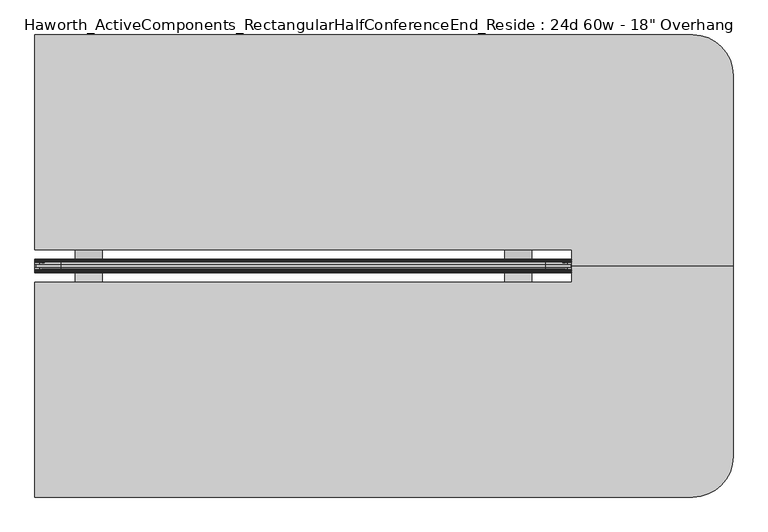
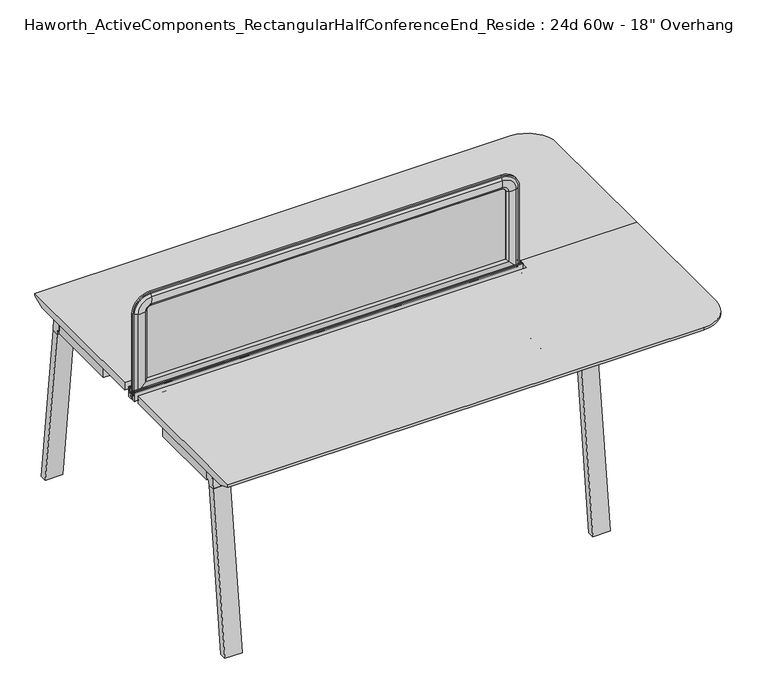
"""IFC4 building model written with IfcOpenShell, lengths in millimetres: furniture geometry."""

from ifc_helpers import new_model, si_unit, point, frame, frame_2d, origin, place, context, project, spatial, polyline, circle_curve, ellipse_curve, trimmed, segment, composite_curve, outline, extrude, source, transform, mapped, element, save
from ifc_brep_helpers import plane_surface, cylinder_surface, revolved_surface, advanced_brep


def furniture_6b04ca88(model_context):
    return source(origin(), model_context, "Body", "SolidModel", [
        extrude(outline(polyline([(-102.8131637, 708.5329874), (-151.7557795, 708.5329874), (-179.9497776, 698.5000242), (-219.096734, 698.5000242), (-247.7511736, 708.5329874), (-296.6937894, 708.5329874), (-296.6937894, 711.1999758), (-247.2908229, 711.1999031), (-219.0967817, 701.1670126), (-180.4101714, 701.1670126), (-152.2161302, 711.1999031), (-102.8131637, 711.1999758), (-102.8131637, 708.5329874)])), frame((787.4, 0.0, 0.0), z_axis=(1.0, 0.0, 0.0), x_axis=(0.0, 1.0, 0.0)), (0.0, 0.0, 1.0), 76.2),
        extrude(outline(polyline([(-102.8131637, 708.5329874), (-151.7557795, 708.5329874), (-179.9497776, 698.5000242), (-219.096734, 698.5000242), (-247.7511736, 708.5329874), (-296.6937894, 708.5329874), (-296.6937894, 711.1999758), (-247.2908229, 711.1999031), (-219.0967817, 701.1670126), (-180.4101714, 701.1670126), (-152.2161302, 711.1999031), (-102.8131637, 711.1999758), (-102.8131637, 708.5329874)])), frame((-431.8, 0.0, 0.0), z_axis=(1.0, 0.0, 0.0), x_axis=(0.0, 1.0, 0.0)), (0.0, 0.0, 1.0), 76.2),
        extrude(outline(composite_curve([segment(polyline([(-208.7577768, 705.1294161), (-190.7491763, 705.1294161), (-190.7491763, 716.8133686), (-194.6734763, 716.8133686), (-194.6734763, 718.8200048), (-189.5045768, 718.8200048), (-189.5045768, 721.0551882), (-188.310777, 722.0711872), (-188.310777, 737.1334219), (-189.5045768, 738.1494209), (-189.5045768, 740.1051882), (-188.4578397, 740.9960276)]), True, "CONTINUOUS"), segment(trimmed(circle_curve(frame_2d((-188.0216309, 740.4834819)), 0.6730388), [point((-188.4578397, 740.9960276))], [point((-187.3580762, 740.5960712))], False, "CARTESIAN"), True, "CONTINUOUS"), segment(polyline([(-187.3580762, 740.5960712), (-186.2533763, 734.0854248), (-186.2533763, 721.131419), (-183.1037763, 721.131419), (-183.1037763, 725.1191843), (-182.3544761, 725.8812017), (-182.3544761, 740.3039756)]), True, "CONTINUOUS"), segment(trimmed(circle_curve(frame_2d((-181.5543762, 740.3039756)), 0.8000999), [point((-182.3544761, 740.3039756))], [point((-180.7542763, 740.3039756))], False, "CARTESIAN"), True, "CONTINUOUS"), segment(polyline([(-180.7542763, 740.3039756), (-180.7542763, 702.1830128)]), True, "CONTINUOUS"), segment(trimmed(circle_curve(frame_2d((-181.7702764, 702.1830128)), 1.0160002), [point((-180.7542763, 702.1830128))], [point((-181.7702764, 701.1670126))], False, "CARTESIAN"), True, "CONTINUOUS"), segment(polyline([(-181.7702764, 701.1670126), (-217.7366767, 701.1670126)]), True, "CONTINUOUS"), segment(trimmed(circle_curve(frame_2d((-217.7366767, 702.1830128)), 1.0160002), [point((-217.7366767, 701.1670126))], [point((-218.7526768, 702.1830128))], False, "CARTESIAN"), True, "CONTINUOUS"), segment(polyline([(-218.7526768, 702.1830128), (-218.7526768, 740.3039756)]), True, "CONTINUOUS"), segment(trimmed(circle_curve(frame_2d((-217.9525769, 740.3039756)), 0.8000999), [point((-218.7526768, 740.3039756))], [point((-217.152477, 740.3039756))], False, "CARTESIAN"), True, "CONTINUOUS"), segment(polyline([(-217.152477, 740.3039756), (-217.152477, 725.8812017), (-216.4031768, 725.1191843), (-216.4031768, 721.131419), (-213.2535769, 721.131419), (-213.2535769, 734.0854248), (-212.1488769, 740.5960712)]), True, "CONTINUOUS"), segment(trimmed(circle_curve(frame_2d((-211.4853222, 740.4834819)), 0.6730388), [point((-212.1488769, 740.5960712))], [point((-211.0491134, 740.9960276))], False, "CARTESIAN"), True, "CONTINUOUS"), segment(polyline([(-211.0491134, 740.9960276), (-210.0023763, 740.1051882), (-210.0023763, 738.1494209), (-211.1961761, 737.1334219), (-211.1961761, 722.0711872), (-210.0023763, 721.0551882), (-210.0023763, 718.8200048), (-204.8334768, 718.8200048), (-204.8334768, 716.8133686), (-208.7577768, 716.8133686), (-208.7577768, 705.1294161)]), True, "CONTINUOUS")], self_intersect=False)), frame((-546.1, 0.0, 0.0), z_axis=(1.0, 0.0, 0.0), x_axis=(0.0, 1.0, 0.0)), (0.0, 0.0, 1.0), 1524.0),
        extrude(outline(composite_curve([segment(polyline([(-743.2146375, 655.8564478), (-737.0116056, 706.4375), (-700.6097266, 706.4375), (-700.6097266, 676.1402033), (-701.8519435, 676.1402033)]), True, "CONTINUOUS"), segment(trimmed(circle_curve(frame_2d((-701.8519435, 663.4402033)), 12.7), [point((-701.8519435, 676.1402033))], [point((-714.4575067, 664.9860929))], True, "CARTESIAN"), True, "CONTINUOUS"), segment(polyline([(-714.4575067, 664.9860929), (-715.9866201, 652.5173267), (-743.2146375, 655.8564478)]), True, "CONTINUOUS")], self_intersect=False)), frame((-539.6507813, 0.0, 0.0), z_axis=(1.0, 0.0, 0.0), x_axis=(0.0, 1.0, 0.0)), (0.0, 0.0, 1.0), 67.6671875),
        extrude(outline(polyline([(-823.6459115, 0.0), (-743.2146375, 655.8564478), (-715.9866201, 652.5173267), (-796.0084097, 0.0), (-823.6459115, 0.0)])), frame((-539.6507813, 0.0, 0.0), z_axis=(1.0, 0.0, 0.0), x_axis=(0.0, 1.0, 0.0)), (0.0, 0.0, 1.0), 67.6671875),
        extrude(outline(composite_curve([segment(polyline([(-743.2146375, 655.8564478), (-737.0116056, 706.4375), (-700.6097266, 706.4375), (-700.6097266, 676.1402033), (-701.8519435, 676.1402033)]), True, "CONTINUOUS"), segment(trimmed(circle_curve(frame_2d((-701.8519435, 663.4402033)), 12.7), [point((-701.8519435, 676.1402033))], [point((-714.4575067, 664.9860929))], True, "CARTESIAN"), True, "CONTINUOUS"), segment(polyline([(-714.4575067, 664.9860929), (-715.9866201, 652.5173267), (-743.2146375, 655.8564478)]), True, "CONTINUOUS")], self_intersect=False)), frame((903.7835938, 0.0, 0.0), z_axis=(1.0, 0.0, 0.0), x_axis=(0.0, 1.0, 0.0)), (0.0, 0.0, 1.0), 67.6671875),
        extrude(outline(polyline([(-823.6459115, 0.0), (-743.2146375, 655.8564478), (-715.9866201, 652.5173267), (-796.0084097, 0.0), (-823.6459115, 0.0)])), frame((903.7835938, 0.0, 0.0), z_axis=(1.0, 0.0, 0.0), x_axis=(0.0, 1.0, 0.0)), (0.0, 0.0, 1.0), 67.6671875),
        extrude(outline(composite_curve([segment(polyline([(343.7076844, 655.8564478), (316.479667, 652.5173267), (314.9505536, 664.9860929)]), True, "CONTINUOUS"), segment(trimmed(circle_curve(frame_2d((302.3449903, 663.4402033)), 12.7), [point((314.9505536, 664.9860929))], [point((302.3449903, 676.1402033))], True, "CARTESIAN"), True, "CONTINUOUS"), segment(polyline([(302.3449903, 676.1402033), (301.1027734, 676.1402033), (301.1027734, 706.4375), (337.5046525, 706.4375), (343.7076844, 655.8564478)]), True, "CONTINUOUS")], self_intersect=False)), frame((-539.6507813, 0.0, 0.0), z_axis=(1.0, 0.0, 0.0), x_axis=(0.0, 1.0, 0.0)), (0.0, 0.0, 1.0), 67.6671875),
        extrude(outline(polyline([(424.1389584, 0.0), (396.5014565, 0.0), (316.479667, 652.5173267), (343.7076844, 655.8564478), (424.1389584, 0.0)])), frame((-539.6507813, 0.0, 0.0), z_axis=(1.0, 0.0, 0.0), x_axis=(0.0, 1.0, 0.0)), (0.0, 0.0, 1.0), 67.6671875),
        extrude(outline(composite_curve([segment(polyline([(343.7076844, 655.8564478), (316.479667, 652.5173267), (314.9505536, 664.9860929)]), True, "CONTINUOUS"), segment(trimmed(circle_curve(frame_2d((302.3449903, 663.4402033)), 12.7), [point((314.9505536, 664.9860929))], [point((302.3449903, 676.1402033))], True, "CARTESIAN"), True, "CONTINUOUS"), segment(polyline([(302.3449903, 676.1402033), (301.1027734, 676.1402033), (301.1027734, 706.4375), (337.5046525, 706.4375), (343.7076844, 655.8564478)]), True, "CONTINUOUS")], self_intersect=False)), frame((903.7835938, 0.0, 0.0), z_axis=(1.0, 0.0, 0.0), x_axis=(0.0, 1.0, 0.0)), (0.0, 0.0, 1.0), 67.6671875),
        extrude(outline(polyline([(424.1389584, 0.0), (396.5014565, 0.0), (316.479667, 652.5173267), (343.7076844, 655.8564478), (424.1389584, 0.0)])), frame((903.7835938, 0.0, 0.0), z_axis=(1.0, 0.0, 0.0), x_axis=(0.0, 1.0, 0.0)), (0.0, 0.0, 1.0), 67.6671875),
        extrude(outline(polyline([(-399.657052, 79.6809981), (-472.301052, 8.5658214), (-472.301052, 1.1605256), (-539.8109398, 1.1605256), (-539.8109398, 301.0075213), (-472.301052, 301.0075213), (-472.301052, 293.6022255), (-399.657052, 222.4870488), (-399.657052, 79.6809981)])), frame((0.0, 0.0, 665.95625), z_axis=(0.0, 0.0, 1.0), x_axis=(1.0, 0.0, 0.0)), (0.0, 0.0, 1.0), 45.24375),
        extrude(outline(polyline([(831.457052, 79.6809981), (831.457052, 222.4870488), (904.101052, 293.6022255), (904.101052, 301.0075213), (971.6109398, 301.0075213), (971.6109398, 1.1605256), (904.101052, 1.1605256), (904.101052, 8.5658214), (831.457052, 79.6809981)])), frame((0.0, 0.0, 665.95625), z_axis=(0.0, 0.0, 1.0), x_axis=(1.0, 0.0, 0.0)), (0.0, 0.0, 1.0), 45.24375),
        extrude(outline(composite_curve([segment(trimmed(circle_curve(frame_2d((169.3402734, 673.1634651)), 1.5875), [point((169.3402734, 671.5759651))], [point((167.7527734, 673.1634651))], False, "CARTESIAN"), True, "CONTINUOUS"), segment(polyline([(167.7527734, 673.1634651), (167.7527734, 705.040468)]), True, "CONTINUOUS"), segment(trimmed(circle_curve(frame_2d((169.3402734, 705.040468)), 1.5875), [point((167.7527734, 705.040468))], [point((169.3402734, 706.627968))], False, "CARTESIAN"), True, "CONTINUOUS"), segment(polyline([(169.3402734, 706.627968), (201.2172764, 706.627968)]), True, "CONTINUOUS"), segment(trimmed(circle_curve(frame_2d((201.2172764, 705.040468)), 1.5875), [point((201.2172764, 706.627968))], [point((202.8047764, 705.040468))], False, "CARTESIAN"), True, "CONTINUOUS"), segment(polyline([(202.8047764, 705.040468), (202.8047764, 673.1634651)]), True, "CONTINUOUS"), segment(trimmed(circle_curve(frame_2d((201.2172764, 673.1634651)), 1.5875), [point((202.8047764, 673.1634651))], [point((201.2172764, 671.5759651))], False, "CARTESIAN"), True, "CONTINUOUS"), segment(polyline([(201.2172764, 671.5759651), (169.3402734, 671.5759651)]), True, "CONTINUOUS")], self_intersect=False)), frame((-399.6569067, 0.0, 0.0), z_axis=(1.0, 0.0, 0.0), x_axis=(0.0, 1.0, 0.0)), (0.0, 0.0, 1.0), 1231.1138134),
        extrude(outline(composite_curve([segment(polyline([(132.8277734, 671.5759651), (100.9507705, 671.5759651)]), True, "CONTINUOUS"), segment(trimmed(circle_curve(frame_2d((100.9507705, 673.1634651)), 1.5875), [point((100.9507705, 671.5759651))], [point((99.3632705, 673.1634651))], False, "CARTESIAN"), True, "CONTINUOUS"), segment(polyline([(99.3632705, 673.1634651), (99.3632705, 705.040468)]), True, "CONTINUOUS"), segment(trimmed(circle_curve(frame_2d((100.9507705, 705.040468)), 1.5875), [point((99.3632705, 705.040468))], [point((100.9507705, 706.627968))], False, "CARTESIAN"), True, "CONTINUOUS"), segment(polyline([(100.9507705, 706.627968), (132.8277734, 706.627968)]), True, "CONTINUOUS"), segment(trimmed(circle_curve(frame_2d((132.8277734, 705.040468)), 1.5875), [point((132.8277734, 706.627968))], [point((134.4152734, 705.040468))], False, "CARTESIAN"), True, "CONTINUOUS"), segment(polyline([(134.4152734, 705.040468), (134.4152734, 673.1634651)]), True, "CONTINUOUS"), segment(trimmed(circle_curve(frame_2d((132.8277734, 673.1634651)), 1.5875), [point((134.4152734, 673.1634651))], [point((132.8277734, 671.5759651))], False, "CARTESIAN"), True, "CONTINUOUS")], self_intersect=False)), frame((-399.6569067, 0.0, 0.0), z_axis=(1.0, 0.0, 0.0), x_axis=(0.0, 1.0, 0.0)), (0.0, 0.0, 1.0), 1231.1138134),
        advanced_brep(
        [(977.9, -153.7159766, 741.3625), (977.9, -199.7534766, 741.3625), (1435.1, -199.7534766, 741.3625), (1435.1, 341.5840234, 741.3625), (1320.8, 455.8840234, 741.3625), (-546.1, 455.8840234, 741.3625), (-546.1, -153.7159766, 741.3625), (977.9, -153.7159766, 711.2), (-546.1, -153.7159766, 711.2), (-546.1, 405.0840234, 711.2), (1320.8, 405.0840234, 711.2), (1384.3, 341.5840234, 711.2), (1384.3, -199.7534766, 711.2), (977.9, -199.7534766, 711.2), (-546.1, 455.8840234, 731.8375), (1320.8, 455.8840234, 731.8375), (1435.1, -199.7534766, 731.8375), (1435.1, 341.5840234, 731.8375)],
        [
            (0, 1),
            (1, 2),
            (2, 3),
            (3, 4, circle_curve(frame((1320.8, 341.5840234, 741.3625), z_axis=(0.0, 0.0, 1.0), x_axis=(1.0, 0.0, 0.0)), 114.3)),
            (4, 5),
            (5, 6),
            (6, 0),
            (7, 8),
            (8, 9),
            (9, 10),
            (10, 11, circle_curve(frame((1320.8, 341.5840234, 711.2), z_axis=(0.0, 0.0, -1.0), x_axis=(0.0, 1.0, 0.0)), 63.5)),
            (11, 12),
            (12, 13),
            (13, 7),
            (6, 8),
            (7, 0),
            (5, 14),
            (14, 9),
            (4, 15),
            (15, 14),
            (2, 16),
            (16, 17),
            (17, 3),
            (17, 15, circle_curve(frame((1320.8, 341.5840234, 731.8375), z_axis=(0.0, 0.0, 1.0), x_axis=(1.0, 0.0, 0.0)), 114.3)),
            (1, 13),
            (12, 16),
            (15, 10),
            (17, 11),
        ],
        [
            plane_surface(frame((-546.1, -153.7159766, 741.3625), z_axis=(0.0, 0.0, 1.0), x_axis=(-1.0, 0.0, 0.0))),
            plane_surface(frame((-546.1, -153.7159766, 711.2), z_axis=(0.0, 0.0, -1.0), x_axis=(1.0, 0.0, 0.0))),
            plane_surface(frame((977.9, -153.7159766, 741.3625), z_axis=(0.0, -1.0, 0.0), x_axis=(0.0, 0.0, -1.0))),
            plane_surface(frame((-546.1, -153.7159766, 741.3625), z_axis=(-1.0, 0.0, 0.0), x_axis=(0.0, 0.0, -1.0))),
            plane_surface(frame((-546.1, 455.8840234, 741.3625), z_axis=(0.0, 1.0, 0.0), x_axis=(0.0, 0.0, -1.0))),
            plane_surface(frame((1435.1, 341.5840234, 741.3625), z_axis=(1.0, 0.0, 0.0), x_axis=(0.0, 0.0, -1.0))),
            cylinder_surface(frame((1320.8, 341.5840234, 711.2), z_axis=(0.0, 0.0, 1.0), x_axis=(1.0, 0.0, 0.0)), 114.3),
            plane_surface(frame((1435.1, -199.7534766, 741.3625), z_axis=(0.0, -1.0, 0.0), x_axis=(0.0, 0.0, -1.0))),
            plane_surface(frame((977.9, -199.7534766, 741.3625), z_axis=(-1.0, 0.0, 0.0), x_axis=(0.0, 0.0, -1.0))),
            plane_surface(frame((-546.1, 455.8840234, 731.8375), z_axis=(0.0, 0.376377046957703, -0.9264665771215921), x_axis=(1.0, 0.0, 0.0))),
            revolved_surface(polyline([(1320.8, 405.0840234, 711.2), (1320.8, 455.8840234, 731.8375)]), (1320.8, 341.5840234, 0.0), (0.0, 0.0, 1.0)),
            plane_surface(frame((1435.1, 341.5840234, 731.8375), z_axis=(0.376377046957703, 0.0, -0.9264665771215921), x_axis=(0.0, -1.0, 0.0))),
        ],
        [
            (0, [[1, 2, 3, 4, 5, 6, 7]]),
            (1, [[8, 9, 10, 11, 12, 13, 14]]),
            (2, [[15, -8, 16, -7]]),
            (3, [[17, 18, -9, -15, -6]]),
            (4, [[19, 20, -17, -5]]),
            (5, [[21, 22, 23, -3]]),
            (6, [[-23, 24, -19, -4]]),
            (7, [[25, -13, 26, -21, -2]]),
            (8, [[-16, -14, -25, -1]]),
            (9, [[-10, -18, -20, 27]]),
            (10, [[-24, 28, -11, -27]]),
            (11, [[-22, -26, -12, -28]]),
        ],
    ),
        advanced_brep(
        [(-542.1096882, -202.9284766, 1050.2564604), (-542.1096882, -196.5784766, 1050.2564604), (-542.1096882, -196.5784766, 715.4852418), (-542.1096882, -202.9284766, 715.4852418), (-526.5815318, -209.5746374, 1050.2564604), (-536.2365135, -202.9284766, 1050.2564604), (-536.2365135, -202.9284766, 721.3584165), (-526.5815318, -209.5746374, 731.0133982), (-497.6002339, -209.0412011, 1050.2564604), (-497.6002339, -209.0412011, 759.994696), (-487.807009, -202.9284766, 1050.2564604), (-487.807009, -202.9284766, 769.787921), (-487.807009, -196.5784766, 1050.2564604), (-487.807009, -196.5784766, 769.787921), (-497.6002339, -190.465752, 1050.2564604), (-497.6002339, -190.465752, 759.994696), (-526.5815318, -189.9323157, 1050.2564604), (-526.5815318, -189.9323157, 731.0133982), (-536.2365135, -196.5784766, 1050.2564604), (-536.2365135, -196.5784766, 721.3584165), (973.9096859, -196.5784766, 715.4852418), (973.9096859, -202.9284766, 715.4852418), (968.0365112, -202.9284766, 721.3584165), (958.3815295, -209.5746374, 731.0133982), (929.4002317, -209.0412011, 759.994696), (919.6070068, -202.9284766, 769.787921), (919.6070068, -196.5784766, 769.787921), (929.4002317, -190.465752, 759.994696), (958.3815295, -189.9323157, 731.0133982), (968.0365112, -196.5784766, 721.3584165), (973.9096859, -196.5784766, 1050.2564604), (973.9096859, -202.9284766, 1050.2564604), (968.0365112, -202.9284766, 1050.2564604), (958.3815295, -209.5746374, 1050.2564604), (929.4002317, -209.0412011, 1050.2564604), (919.6070068, -202.9284766, 1050.2564604), (919.6070068, -196.5784766, 1050.2564604), (929.4002317, -190.465752, 1050.2564604), (958.3815295, -189.9323157, 1050.2564604), (968.0365112, -196.5784766, 1050.2564604), (903.7320068, -202.9284766, 1120.4341395), (903.7320068, -196.5784766, 1120.4341395), (903.7320068, -209.5746374, 1104.9059832), (903.7320068, -202.9284766, 1114.5609648), (903.7320068, -209.0412011, 1075.9246853), (903.7320068, -202.9284766, 1066.1314604), (903.7320068, -196.5784766, 1066.1314604), (903.7320068, -190.465752, 1075.9246853), (903.7320068, -189.9323157, 1104.9059832), (903.7320068, -196.5784766, 1114.5609648), (-471.932009, -196.5784766, 1120.4341395), (-471.932009, -202.9284766, 1120.4341395), (-471.932009, -202.9284766, 1114.5609648), (-471.932009, -209.5746374, 1104.9059832), (-471.932009, -209.0412011, 1075.9246853), (-471.932009, -202.9284766, 1066.1314604), (-471.932009, -196.5784766, 1066.1314604), (-471.932009, -190.465752, 1075.9246853), (-471.932009, -189.9323157, 1104.9059832), (-471.932009, -196.5784766, 1114.5609648)],
        [
            (0, 1),
            (1, 2),
            (2, 3),
            (3, 0),
            (4, 5, circle_curve(frame((-522.3864346, -193.1443023, 1050.2564604), z_axis=(0.0, 0.0, -1.0), x_axis=(0.0, -1.0, 0.0)), 16.9574394)),
            (5, 6),
            (6, 7, ellipse_curve(frame((-522.3864346, -193.1443023, 735.2084954), z_axis=(-0.707106781186545, 0.0, 0.7071067811865499), x_axis=(0.7071067811865499, 0.0, 0.7071067811865451)), 23.9814408, 16.9574394)),
            (7, 4),
            (8, 4, circle_curve(frame((-513.0606786, -156.619453, 1050.2564604), z_axis=(0.0, 0.0, -1.0), x_axis=(0.0, -1.0, 0.0)), 54.6540486)),
            (7, 9, ellipse_curve(frame((-513.0606786, -156.619453, 744.5342514), z_axis=(-0.707106781186545, 0.0, 0.7071067811865499), x_axis=(0.7071067811865499, 0.0, 0.7071067811865451)), 77.2924967, 54.6540486)),
            (9, 8),
            (10, 8, circle_curve(frame((-503.6950958, -188.375346, 1050.2564604), z_axis=(0.0, 0.0, -1.0), x_axis=(0.0, -1.0, 0.0)), 21.5458792)),
            (9, 11, ellipse_curve(frame((-503.6950958, -188.375346, 753.8998342), z_axis=(-0.707106781186545, 0.0, 0.7071067811865499), x_axis=(0.7071067811865499, 0.0, 0.7071067811865451)), 30.4704745, 21.5458792)),
            (11, 10),
            (12, 10),
            (11, 13),
            (13, 12),
            (14, 12, circle_curve(frame((-503.6950958, -211.1316071, 1050.2564604), z_axis=(0.0, 0.0, -1.0), x_axis=(0.0, -1.0, 0.0)), 21.5458792)),
            (13, 15, ellipse_curve(frame((-503.6950958, -211.1316071, 753.8998342), z_axis=(-0.707106781186545, 0.0, 0.7071067811865499), x_axis=(0.7071067811865499, 0.0, 0.7071067811865451)), 30.4704745, 21.5458792)),
            (15, 14),
            (16, 14, circle_curve(frame((-513.0606786, -242.8875001, 1050.2564604), z_axis=(0.0, 0.0, -1.0), x_axis=(0.0, -1.0, 0.0)), 54.6540486)),
            (15, 17, ellipse_curve(frame((-513.0606786, -242.8875001, 744.5342514), z_axis=(-0.707106781186545, 0.0, 0.7071067811865499), x_axis=(0.7071067811865499, 0.0, 0.7071067811865451)), 77.2924967, 54.6540486)),
            (17, 16),
            (18, 16, circle_curve(frame((-522.3864346, -206.3626508, 1050.2564604), z_axis=(0.0, 0.0, -1.0), x_axis=(0.0, -1.0, 0.0)), 16.9574394)),
            (17, 19, ellipse_curve(frame((-522.3864346, -206.3626508, 735.2084954), z_axis=(-0.707106781186545, 0.0, 0.7071067811865499), x_axis=(0.7071067811865499, 0.0, 0.7071067811865451)), 23.9814408, 16.9574394)),
            (19, 18),
            (2, 20),
            (20, 21),
            (21, 3),
            (6, 22),
            (22, 23, ellipse_curve(frame((954.1864323, -193.1443023, 735.2084954), z_axis=(-0.7071067811865498, 0.0, -0.7071067811865451), x_axis=(-0.7071067811865455, 0.0, 0.7071067811865497)), 23.9814408, 16.9574394)),
            (23, 7),
            (23, 24, ellipse_curve(frame((944.8606764, -156.619453, 744.5342514), z_axis=(-0.7071067811865498, 0.0, -0.7071067811865451), x_axis=(-0.7071067811865455, 0.0, 0.7071067811865497)), 77.2924967, 54.6540486)),
            (24, 9),
            (24, 25, ellipse_curve(frame((935.4950935, -188.375346, 753.8998342), z_axis=(-0.7071067811865498, 0.0, -0.7071067811865451), x_axis=(-0.7071067811865455, 0.0, 0.7071067811865497)), 30.4704745, 21.5458792)),
            (25, 11),
            (25, 26),
            (26, 13),
            (26, 27, ellipse_curve(frame((935.4950935, -211.1316071, 753.8998342), z_axis=(-0.7071067811865498, 0.0, -0.7071067811865451), x_axis=(-0.7071067811865455, 0.0, 0.7071067811865497)), 30.4704745, 21.5458792)),
            (27, 15),
            (27, 28, ellipse_curve(frame((944.8606764, -242.8875001, 744.5342514), z_axis=(-0.7071067811865498, 0.0, -0.7071067811865451), x_axis=(-0.7071067811865455, 0.0, 0.7071067811865497)), 77.2924967, 54.6540486)),
            (28, 17),
            (28, 29, ellipse_curve(frame((954.1864323, -206.3626508, 735.2084954), z_axis=(-0.7071067811865498, 0.0, -0.7071067811865451), x_axis=(-0.7071067811865455, 0.0, 0.7071067811865497)), 23.9814408, 16.9574394)),
            (29, 19),
            (20, 30),
            (30, 31),
            (31, 21),
            (22, 32),
            (32, 33, circle_curve(frame((954.1864323, -193.1443023, 1050.2564604), z_axis=(0.0, 0.0, -1.0), x_axis=(0.0, -1.0, 0.0)), 16.9574394)),
            (33, 23),
            (33, 34, circle_curve(frame((944.8606764, -156.619453, 1050.2564604), z_axis=(0.0, 0.0, -1.0), x_axis=(0.0, -1.0, 0.0)), 54.6540486)),
            (34, 24),
            (34, 35, circle_curve(frame((935.4950935, -188.375346, 1050.2564604), z_axis=(0.0, 0.0, -1.0), x_axis=(0.0, -1.0, 0.0)), 21.5458792)),
            (35, 25),
            (35, 36),
            (36, 26),
            (36, 37, circle_curve(frame((935.4950935, -211.1316071, 1050.2564604), z_axis=(0.0, 0.0, -1.0), x_axis=(0.0, -1.0, 0.0)), 21.5458792)),
            (37, 27),
            (37, 38, circle_curve(frame((944.8606764, -242.8875001, 1050.2564604), z_axis=(0.0, 0.0, -1.0), x_axis=(0.0, -1.0, 0.0)), 54.6540486)),
            (38, 28),
            (38, 39, circle_curve(frame((954.1864323, -206.3626508, 1050.2564604), z_axis=(0.0, 0.0, -1.0), x_axis=(0.0, -1.0, 0.0)), 16.9574394)),
            (39, 29),
            (40, 31, circle_curve(frame((903.7320068, -202.9284766, 1050.2564604), z_axis=(0.0, 1.0, 0.0), x_axis=(1.0, 0.0, 0.0)), 70.1776791)),
            (30, 41, circle_curve(frame((903.7320068, -196.5784766, 1050.2564604), z_axis=(0.0, -1.0, 0.0), x_axis=(1.0, 0.0, 0.0)), 70.1776791)),
            (41, 40),
            (42, 33, circle_curve(frame((903.7320068, -209.5746374, 1050.2564604), z_axis=(0.0, 1.0, 0.0), x_axis=(1.0, 0.0, 0.0)), 54.6495228)),
            (32, 43, circle_curve(frame((903.7320068, -202.9284766, 1050.2564604), z_axis=(0.0, -1.0, 0.0), x_axis=(1.0, 0.0, 0.0)), 64.3045045)),
            (43, 42, circle_curve(frame((903.7320068, -193.1443023, 1100.7108859), z_axis=(1.0, 0.0, 0.0), x_axis=(0.0, -1.0, 0.0)), 16.9574394)),
            (44, 34, circle_curve(frame((903.7320068, -209.0412011, 1050.2564604), z_axis=(0.0, 1.0, 0.0), x_axis=(1.0, 0.0, 0.0)), 25.6682249)),
            (42, 44, circle_curve(frame((903.7320068, -156.619453, 1091.38513), z_axis=(1.0, 0.0, 0.0), x_axis=(0.0, -1.0, 0.0)), 54.6540486)),
            (45, 35, circle_curve(frame((903.7320068, -202.9284766, 1050.2564604), z_axis=(0.0, 1.0, 0.0), x_axis=(1.0, 0.0, 0.0)), 15.875)),
            (44, 45, circle_curve(frame((903.7320068, -188.375346, 1082.0195471), z_axis=(1.0, 0.0, 0.0), x_axis=(0.0, -1.0, 0.0)), 21.5458792)),
            (46, 36, circle_curve(frame((903.7320068, -196.5784766, 1050.2564604), z_axis=(0.0, 1.0, 0.0), x_axis=(1.0, 0.0, 0.0)), 15.875)),
            (45, 46),
            (47, 37, circle_curve(frame((903.7320068, -190.465752, 1050.2564604), z_axis=(0.0, 1.0, 0.0), x_axis=(1.0, 0.0, 0.0)), 25.6682249)),
            (46, 47, circle_curve(frame((903.7320068, -211.1316071, 1082.0195471), z_axis=(1.0, 0.0, 0.0), x_axis=(0.0, -1.0, 0.0)), 21.5458792)),
            (48, 38, circle_curve(frame((903.7320068, -189.9323157, 1050.2564604), z_axis=(0.0, 1.0, 0.0), x_axis=(1.0, 0.0, 0.0)), 54.6495228)),
            (47, 48, circle_curve(frame((903.7320068, -242.8875001, 1091.38513), z_axis=(1.0, 0.0, 0.0), x_axis=(0.0, -1.0, 0.0)), 54.6540486)),
            (49, 39, circle_curve(frame((903.7320068, -196.5784766, 1050.2564604), z_axis=(0.0, 1.0, 0.0), x_axis=(1.0, 0.0, 0.0)), 64.3045045)),
            (48, 49, circle_curve(frame((903.7320068, -206.3626508, 1100.7108859), z_axis=(1.0, 0.0, 0.0), x_axis=(0.0, -1.0, 0.0)), 16.9574394)),
            (41, 50),
            (50, 51),
            (51, 40),
            (43, 52),
            (52, 53, circle_curve(frame((-471.932009, -193.1443023, 1100.7108859), z_axis=(1.0, 0.0, 0.0), x_axis=(0.0, -1.0, 0.0)), 16.9574394)),
            (53, 42),
            (53, 54, circle_curve(frame((-471.932009, -156.619453, 1091.38513), z_axis=(1.0, 0.0, 0.0), x_axis=(0.0, -1.0, 0.0)), 54.6540486)),
            (54, 44),
            (54, 55, circle_curve(frame((-471.932009, -188.375346, 1082.0195471), z_axis=(1.0, 0.0, 0.0), x_axis=(0.0, -1.0, 0.0)), 21.5458792)),
            (55, 45),
            (55, 56),
            (56, 46),
            (56, 57, circle_curve(frame((-471.932009, -211.1316071, 1082.0195471), z_axis=(1.0, 0.0, 0.0), x_axis=(0.0, -1.0, 0.0)), 21.5458792)),
            (57, 47),
            (57, 58, circle_curve(frame((-471.932009, -242.8875001, 1091.38513), z_axis=(1.0, 0.0, 0.0), x_axis=(0.0, -1.0, 0.0)), 54.6540486)),
            (58, 48),
            (58, 59, circle_curve(frame((-471.932009, -206.3626508, 1100.7108859), z_axis=(1.0, 0.0, 0.0), x_axis=(0.0, -1.0, 0.0)), 16.9574394)),
            (59, 49),
            (0, 51, circle_curve(frame((-471.932009, -202.9284766, 1050.2564604), z_axis=(0.0, 1.0, 0.0), x_axis=(0.0, 0.0, 1.0)), 70.1776791)),
            (50, 1, circle_curve(frame((-471.932009, -196.5784766, 1050.2564604), z_axis=(0.0, -1.0, 0.0), x_axis=(0.0, 0.0, 1.0)), 70.1776791)),
            (5, 52, circle_curve(frame((-471.932009, -202.9284766, 1050.2564604), z_axis=(0.0, 1.0, 0.0), x_axis=(0.0, 0.0, 1.0)), 64.3045045)),
            (4, 53, circle_curve(frame((-471.932009, -209.5746374, 1050.2564604), z_axis=(0.0, 1.0, 0.0), x_axis=(0.0, 0.0, 1.0)), 54.6495228)),
            (8, 54, circle_curve(frame((-471.932009, -209.0412011, 1050.2564604), z_axis=(0.0, 1.0, 0.0), x_axis=(0.0, 0.0, 1.0)), 25.6682249)),
            (10, 55, circle_curve(frame((-471.932009, -202.9284766, 1050.2564604), z_axis=(0.0, 1.0, 0.0), x_axis=(0.0, 0.0, 1.0)), 15.875)),
            (12, 56, circle_curve(frame((-471.932009, -196.5784766, 1050.2564604), z_axis=(0.0, 1.0, 0.0), x_axis=(0.0, 0.0, 1.0)), 15.875)),
            (14, 57, circle_curve(frame((-471.932009, -190.465752, 1050.2564604), z_axis=(0.0, 1.0, 0.0), x_axis=(0.0, 0.0, 1.0)), 25.6682249)),
            (16, 58, circle_curve(frame((-471.932009, -189.9323157, 1050.2564604), z_axis=(0.0, 1.0, 0.0), x_axis=(0.0, 0.0, 1.0)), 54.6495228)),
            (18, 59, circle_curve(frame((-471.932009, -196.5784766, 1050.2564604), z_axis=(0.0, 1.0, 0.0), x_axis=(0.0, 0.0, 1.0)), 64.3045045)),
        ],
        [
            plane_surface(frame((-542.1096882, -196.5784766, 1050.2564604), z_axis=(-1.0, 0.0, 0.0), x_axis=(0.0, 0.0, -1.0))),
            cylinder_surface(frame((-522.3864346, -193.1443023, 1050.2564604), z_axis=(0.0, 0.0, 1.0), x_axis=(0.0, -1.0, 0.0)), 16.9574394),
            cylinder_surface(frame((-513.0606786, -156.619453, 1050.2564604), z_axis=(0.0, 0.0, 1.0), x_axis=(0.0, -1.0, 0.0)), 54.6540486),
            cylinder_surface(frame((-503.6950958, -188.375346, 1050.2564604), z_axis=(0.0, 0.0, 1.0), x_axis=(0.0, -1.0, 0.0)), 21.5458792),
            plane_surface(frame((-487.807009, -202.9284766, 1050.2564604), z_axis=(1.0, 0.0, 0.0), x_axis=(0.0, 0.0, -1.0))),
            cylinder_surface(frame((-503.6950958, -211.1316071, 1050.2564604), z_axis=(0.0, 0.0, 1.0), x_axis=(0.0, -1.0, 0.0)), 21.5458792),
            cylinder_surface(frame((-513.0606786, -242.8875001, 1050.2564604), z_axis=(0.0, 0.0, 1.0), x_axis=(0.0, -1.0, 0.0)), 54.6540486),
            cylinder_surface(frame((-522.3864346, -206.3626508, 1050.2564604), z_axis=(0.0, 0.0, 1.0), x_axis=(0.0, -1.0, 0.0)), 16.9574394),
            plane_surface(frame((-542.1096882, -196.5784766, 715.4852418), z_axis=(0.0, 0.0, -1.0), x_axis=(1.0, 0.0, 0.0))),
            cylinder_surface(frame((-487.807009, -193.1443023, 735.2084954), z_axis=(-1.0, 0.0, 0.0), x_axis=(0.0, -1.0, 0.0)), 16.9574394),
            cylinder_surface(frame((-487.807009, -156.619453, 744.5342514), z_axis=(-1.0, 0.0, 0.0), x_axis=(0.0, -1.0, 0.0)), 54.6540486),
            cylinder_surface(frame((-487.807009, -188.375346, 753.8998342), z_axis=(-1.0, 0.0, 0.0), x_axis=(0.0, -1.0, 0.0)), 21.5458792),
            plane_surface(frame((-487.807009, -202.9284766, 769.787921), z_axis=(0.0, 0.0, 1.0), x_axis=(1.0, 0.0, 0.0))),
            cylinder_surface(frame((-487.807009, -211.1316071, 753.8998342), z_axis=(-1.0, 0.0, 0.0), x_axis=(0.0, -1.0, 0.0)), 21.5458792),
            cylinder_surface(frame((-487.807009, -242.8875001, 744.5342514), z_axis=(-1.0, 0.0, 0.0), x_axis=(0.0, -1.0, 0.0)), 54.6540486),
            cylinder_surface(frame((-487.807009, -206.3626508, 735.2084954), z_axis=(-1.0, 0.0, 0.0), x_axis=(0.0, -1.0, 0.0)), 16.9574394),
            plane_surface(frame((973.9096859, -196.5784766, 715.4852418), z_axis=(1.0, 0.0, 0.0), x_axis=(0.0, 0.0, 1.0))),
            cylinder_surface(frame((954.1864323, -193.1443023, 769.787921), z_axis=(0.0, 0.0, -1.0), x_axis=(0.0, -1.0, 0.0)), 16.9574394),
            cylinder_surface(frame((944.8606764, -156.619453, 769.787921), z_axis=(0.0, 0.0, -1.0), x_axis=(0.0, -1.0, 0.0)), 54.6540486),
            cylinder_surface(frame((935.4950935, -188.375346, 769.787921), z_axis=(0.0, 0.0, -1.0), x_axis=(0.0, -1.0, 0.0)), 21.5458792),
            plane_surface(frame((919.6070068, -202.9284766, 769.787921), z_axis=(-1.0, 0.0, 0.0), x_axis=(0.0, 0.0, 1.0))),
            cylinder_surface(frame((935.4950935, -211.1316071, 769.787921), z_axis=(0.0, 0.0, -1.0), x_axis=(0.0, -1.0, 0.0)), 21.5458792),
            cylinder_surface(frame((944.8606764, -242.8875001, 769.787921), z_axis=(0.0, 0.0, -1.0), x_axis=(0.0, -1.0, 0.0)), 54.6540486),
            cylinder_surface(frame((954.1864323, -206.3626508, 769.787921), z_axis=(0.0, 0.0, -1.0), x_axis=(0.0, -1.0, 0.0)), 16.9574394),
            cylinder_surface(frame((903.7320068, -202.9284766, 1050.2564604), z_axis=(0.0, -1.0, 0.0), x_axis=(1.0, 0.0, 0.0)), 70.1776791),
            revolved_surface(trimmed(ellipse_curve(frame((954.1864323, -193.1443023, 1050.2564604), z_axis=(0.0, 0.0, -1.0), x_axis=(0.0, -1.0, 0.0)), 16.9574394, 16.9574394), [point((968.0365112, -202.9284766, 1050.2564604))], [point((958.3815295, -209.5746374, 1050.2564604))], True, "CARTESIAN"), (903.7320068, -202.9284766, 1050.2564604), (0.0, -1.0, 0.0)),
            revolved_surface(trimmed(ellipse_curve(frame((944.8606764, -156.619453, 1050.2564604), z_axis=(0.0, 0.0, -1.0), x_axis=(0.0, -1.0, 0.0)), 54.6540486, 54.6540486), [point((958.3815295, -209.5746374, 1050.2564604))], [point((929.4002317, -209.0412011, 1050.2564604))], True, "CARTESIAN"), (903.7320068, -202.9284766, 1050.2564604), (0.0, -1.0, 0.0)),
            revolved_surface(trimmed(ellipse_curve(frame((935.4950935, -188.375346, 1050.2564604), z_axis=(0.0, 0.0, -1.0), x_axis=(0.0, -1.0, 0.0)), 21.5458792, 21.5458792), [point((929.4002317, -209.0412011, 1050.2564604))], [point((919.6070068, -202.9284766, 1050.2564604))], True, "CARTESIAN"), (903.7320068, -202.9284766, 1050.2564604), (0.0, -1.0, 0.0)),
            revolved_surface(polyline([(919.6070068, -202.9284766, 1050.2564604), (919.6070068, -196.5784766, 1050.2564604)]), (903.7320068, -202.9284766, 1050.2564604), (0.0, -1.0, 0.0)),
            revolved_surface(trimmed(ellipse_curve(frame((935.4950935, -211.1316071, 1050.2564604), z_axis=(0.0, 0.0, -1.0), x_axis=(0.0, -1.0, 0.0)), 21.5458792, 21.5458792), [point((919.6070068, -196.5784766, 1050.2564604))], [point((929.4002317, -190.465752, 1050.2564604))], True, "CARTESIAN"), (903.7320068, -202.9284766, 1050.2564604), (0.0, -1.0, 0.0)),
            revolved_surface(trimmed(ellipse_curve(frame((944.8606764, -242.8875001, 1050.2564604), z_axis=(0.0, 0.0, -1.0), x_axis=(0.0, -1.0, 0.0)), 54.6540486, 54.6540486), [point((929.4002317, -190.465752, 1050.2564604))], [point((958.3815295, -189.9323157, 1050.2564604))], True, "CARTESIAN"), (903.7320068, -202.9284766, 1050.2564604), (0.0, -1.0, 0.0)),
            revolved_surface(trimmed(ellipse_curve(frame((954.1864323, -206.3626508, 1050.2564604), z_axis=(0.0, 0.0, -1.0), x_axis=(0.0, -1.0, 0.0)), 16.9574394, 16.9574394), [point((958.3815295, -189.9323157, 1050.2564604))], [point((968.0365112, -196.5784766, 1050.2564604))], True, "CARTESIAN"), (903.7320068, -202.9284766, 1050.2564604), (0.0, -1.0, 0.0)),
            plane_surface(frame((903.7320068, -196.5784766, 1120.4341395), z_axis=(0.0, 0.0, 1.0), x_axis=(-1.0, 0.0, 0.0))),
            cylinder_surface(frame((903.7320068, -193.1443023, 1100.7108859), z_axis=(1.0, 0.0, 0.0), x_axis=(0.0, -1.0, 0.0)), 16.9574394),
            cylinder_surface(frame((903.7320068, -156.619453, 1091.38513), z_axis=(1.0, 0.0, 0.0), x_axis=(0.0, -1.0, 0.0)), 54.6540486),
            cylinder_surface(frame((903.7320068, -188.375346, 1082.0195471), z_axis=(1.0, 0.0, 0.0), x_axis=(0.0, -1.0, 0.0)), 21.5458792),
            plane_surface(frame((903.7320068, -202.9284766, 1066.1314604), z_axis=(0.0, 0.0, -1.0), x_axis=(-1.0, 0.0, 0.0))),
            cylinder_surface(frame((903.7320068, -211.1316071, 1082.0195471), z_axis=(1.0, 0.0, 0.0), x_axis=(0.0, -1.0, 0.0)), 21.5458792),
            cylinder_surface(frame((903.7320068, -242.8875001, 1091.38513), z_axis=(1.0, 0.0, 0.0), x_axis=(0.0, -1.0, 0.0)), 54.6540486),
            cylinder_surface(frame((903.7320068, -206.3626508, 1100.7108859), z_axis=(1.0, 0.0, 0.0), x_axis=(0.0, -1.0, 0.0)), 16.9574394),
            cylinder_surface(frame((-471.932009, -202.9284766, 1050.2564604), z_axis=(0.0, -1.0, 0.0), x_axis=(0.0, 0.0, 1.0)), 70.1776791),
            plane_surface(frame((-471.932009, -202.9284766, 1050.2564604), z_axis=(0.0, -1.0, 0.0), x_axis=(0.0, 0.0, 1.0))),
            revolved_surface(trimmed(ellipse_curve(frame((-471.932009, -193.1443023, 1100.7108859), z_axis=(1.0, 0.0, 0.0), x_axis=(0.0, -1.0, 0.0)), 16.9574394, 16.9574394), [point((-471.932009, -202.9284766, 1114.5609648))], [point((-471.932009, -209.5746374, 1104.9059832))], True, "CARTESIAN"), (-471.932009, -202.9284766, 1050.2564604), (0.0, -1.0, 0.0)),
            revolved_surface(trimmed(ellipse_curve(frame((-471.932009, -156.619453, 1091.38513), z_axis=(1.0, 0.0, 0.0), x_axis=(0.0, -1.0, 0.0)), 54.6540486, 54.6540486), [point((-471.932009, -209.5746374, 1104.9059832))], [point((-471.932009, -209.0412011, 1075.9246853))], True, "CARTESIAN"), (-471.932009, -202.9284766, 1050.2564604), (0.0, -1.0, 0.0)),
            revolved_surface(trimmed(ellipse_curve(frame((-471.932009, -188.375346, 1082.0195471), z_axis=(1.0, 0.0, 0.0), x_axis=(0.0, -1.0, 0.0)), 21.5458792, 21.5458792), [point((-471.932009, -209.0412011, 1075.9246853))], [point((-471.932009, -202.9284766, 1066.1314604))], True, "CARTESIAN"), (-471.932009, -202.9284766, 1050.2564604), (0.0, -1.0, 0.0)),
            revolved_surface(polyline([(-471.932009, -202.9284766, 1066.1314604), (-471.932009, -196.5784766, 1066.1314604)]), (-471.932009, -202.9284766, 1050.2564604), (0.0, -1.0, 0.0)),
            revolved_surface(trimmed(ellipse_curve(frame((-471.932009, -211.1316071, 1082.0195471), z_axis=(1.0, 0.0, 0.0), x_axis=(0.0, -1.0, 0.0)), 21.5458792, 21.5458792), [point((-471.932009, -196.5784766, 1066.1314604))], [point((-471.932009, -190.465752, 1075.9246853))], True, "CARTESIAN"), (-471.932009, -202.9284766, 1050.2564604), (0.0, -1.0, 0.0)),
            revolved_surface(trimmed(ellipse_curve(frame((-471.932009, -242.8875001, 1091.38513), z_axis=(1.0, 0.0, 0.0), x_axis=(0.0, -1.0, 0.0)), 54.6540486, 54.6540486), [point((-471.932009, -190.465752, 1075.9246853))], [point((-471.932009, -189.9323157, 1104.9059832))], True, "CARTESIAN"), (-471.932009, -202.9284766, 1050.2564604), (0.0, -1.0, 0.0)),
            revolved_surface(trimmed(ellipse_curve(frame((-471.932009, -206.3626508, 1100.7108859), z_axis=(1.0, 0.0, 0.0), x_axis=(0.0, -1.0, 0.0)), 16.9574394, 16.9574394), [point((-471.932009, -189.9323157, 1104.9059832))], [point((-471.932009, -196.5784766, 1114.5609648))], True, "CARTESIAN"), (-471.932009, -202.9284766, 1050.2564604), (0.0, -1.0, 0.0)),
            plane_surface(frame((-471.932009, -196.5784766, 1050.2564604), z_axis=(0.0, 1.0, 0.0), x_axis=(0.0, 0.0, 1.0))),
        ],
        [
            (0, [[1, 2, 3, 4]]),
            (1, [[5, 6, 7, 8]]),
            (2, [[9, -8, 10, 11]]),
            (3, [[12, -11, 13, 14]]),
            (4, [[15, -14, 16, 17]]),
            (5, [[18, -17, 19, 20]]),
            (6, [[21, -20, 22, 23]]),
            (7, [[24, -23, 25, 26]]),
            (8, [[-3, 27, 28, 29]]),
            (9, [[-7, 30, 31, 32]]),
            (10, [[-10, -32, 33, 34]]),
            (11, [[-13, -34, 35, 36]]),
            (12, [[-16, -36, 37, 38]]),
            (13, [[-19, -38, 39, 40]]),
            (14, [[-22, -40, 41, 42]]),
            (15, [[-25, -42, 43, 44]]),
            (16, [[-28, 45, 46, 47]]),
            (17, [[-31, 48, 49, 50]]),
            (18, [[-33, -50, 51, 52]]),
            (19, [[-35, -52, 53, 54]]),
            (20, [[-37, -54, 55, 56]]),
            (21, [[-39, -56, 57, 58]]),
            (22, [[-41, -58, 59, 60]]),
            (23, [[-43, -60, 61, 62]]),
            (24, [[63, -46, 64, 65]]),
            (25, [[66, -49, 67, 68]]),
            (26, [[69, -51, -66, 70]]),
            (27, [[71, -53, -69, 72]]),
            (28, [[73, -55, -71, 74]]),
            (29, [[75, -57, -73, 76]]),
            (30, [[77, -59, -75, 78]]),
            (31, [[79, -61, -77, 80]]),
            (32, [[-65, 81, 82, 83]]),
            (33, [[-68, 84, 85, 86]]),
            (34, [[-70, -86, 87, 88]]),
            (35, [[-72, -88, 89, 90]]),
            (36, [[-74, -90, 91, 92]]),
            (37, [[-76, -92, 93, 94]]),
            (38, [[-78, -94, 95, 96]]),
            (39, [[-80, -96, 97, 98]]),
            (40, [[99, -82, 100, -1]]),
            (41, [[-63, -83, -99, -4, -29, -47], [101, -84, -67, -48, -30, -6]]),
            (42, [[102, -85, -101, -5]]),
            (43, [[103, -87, -102, -9]]),
            (44, [[104, -89, -103, -12]]),
            (45, [[105, -91, -104, -15]]),
            (46, [[106, -93, -105, -18]]),
            (47, [[107, -95, -106, -21]]),
            (48, [[108, -97, -107, -24]]),
            (49, [[-100, -81, -64, -45, -27, -2], [-79, -98, -108, -26, -44, -62]]),
        ],
    ),
        extrude(outline(composite_curve([segment(polyline([(769.787921, 919.6070068), (1050.2564604, 919.6070068)]), True, "CONTINUOUS"), segment(trimmed(circle_curve(frame_2d((1050.2564604, 903.7320068)), 15.875), [point((1050.2564604, 919.6070068))], [point((1066.1314604, 903.7320068))], False, "CARTESIAN"), True, "CONTINUOUS"), segment(polyline([(1066.1314604, 903.7320068), (1066.1314604, -471.932009)]), True, "CONTINUOUS"), segment(trimmed(circle_curve(frame_2d((1050.2564604, -471.932009)), 15.875), [point((1066.1314604, -471.932009))], [point((1050.2564604, -487.807009))], False, "CARTESIAN"), True, "CONTINUOUS"), segment(polyline([(1050.2564604, -487.807009), (769.787921, -487.807009), (769.787921, 919.6070068)]), True, "CONTINUOUS")], self_intersect=False)), frame((0.0, -202.9284766, 0.0), z_axis=(0.0, 1.0, 0.0), x_axis=(0.0, 0.0, 1.0)), (0.0, 0.0, 1.0), 6.35),
        extrude(outline(polyline([(-399.657052, -479.1879512), (-399.657052, -621.9940019), (-472.301052, -693.1091786), (-472.301052, -700.5144744), (-539.8109398, -700.5144744), (-539.8109398, -400.6674787), (-472.301052, -400.6674787), (-472.301052, -408.0727745), (-399.657052, -479.1879512)])), frame((0.0, 0.0, 665.95625), z_axis=(0.0, 0.0, 1.0), x_axis=(1.0, 0.0, 0.0)), (0.0, 0.0, 1.0), 45.24375),
        extrude(outline(polyline([(831.457052, -479.1879512), (904.101052, -408.0727745), (904.101052, -400.6674787), (971.6109398, -400.6674787), (971.6109398, -700.5144744), (904.101052, -700.5144744), (904.101052, -693.1091786), (831.457052, -621.9940019), (831.457052, -479.1879512)])), frame((0.0, 0.0, 665.95625), z_axis=(0.0, 0.0, 1.0), x_axis=(1.0, 0.0, 0.0)), (0.0, 0.0, 1.0), 45.24375),
        extrude(outline(composite_curve([segment(polyline([(-568.8472266, 671.5759651), (-600.7242295, 671.5759651)]), True, "CONTINUOUS"), segment(trimmed(circle_curve(frame_2d((-600.7242295, 673.1634651)), 1.5875), [point((-600.7242295, 671.5759651))], [point((-602.3117295, 673.1634651))], False, "CARTESIAN"), True, "CONTINUOUS"), segment(polyline([(-602.3117295, 673.1634651), (-602.3117295, 705.040468)]), True, "CONTINUOUS"), segment(trimmed(circle_curve(frame_2d((-600.7242295, 705.040468)), 1.5875), [point((-602.3117295, 705.040468))], [point((-600.7242295, 706.627968))], False, "CARTESIAN"), True, "CONTINUOUS"), segment(polyline([(-600.7242295, 706.627968), (-568.8472266, 706.627968)]), True, "CONTINUOUS"), segment(trimmed(circle_curve(frame_2d((-568.8472266, 705.040468)), 1.5875), [point((-568.8472266, 706.627968))], [point((-567.2597266, 705.040468))], False, "CARTESIAN"), True, "CONTINUOUS"), segment(polyline([(-567.2597266, 705.040468), (-567.2597266, 673.1634651)]), True, "CONTINUOUS"), segment(trimmed(circle_curve(frame_2d((-568.8472266, 673.1634651)), 1.5875), [point((-567.2597266, 673.1634651))], [point((-568.8472266, 671.5759651))], False, "CARTESIAN"), True, "CONTINUOUS")], self_intersect=False)), frame((-399.6569067, 0.0, 0.0), z_axis=(1.0, 0.0, 0.0), x_axis=(0.0, 1.0, 0.0)), (0.0, 0.0, 1.0), 1231.1138134),
        extrude(outline(composite_curve([segment(trimmed(circle_curve(frame_2d((-532.3347266, 673.1634651)), 1.5875), [point((-532.3347266, 671.5759651))], [point((-533.9222266, 673.1634651))], False, "CARTESIAN"), True, "CONTINUOUS"), segment(polyline([(-533.9222266, 673.1634651), (-533.9222266, 705.040468)]), True, "CONTINUOUS"), segment(trimmed(circle_curve(frame_2d((-532.3347266, 705.040468)), 1.5875), [point((-533.9222266, 705.040468))], [point((-532.3347266, 706.627968))], False, "CARTESIAN"), True, "CONTINUOUS"), segment(polyline([(-532.3347266, 706.627968), (-500.4577236, 706.627968)]), True, "CONTINUOUS"), segment(trimmed(circle_curve(frame_2d((-500.4577236, 705.040468)), 1.5875), [point((-500.4577236, 706.627968))], [point((-498.8702236, 705.040468))], False, "CARTESIAN"), True, "CONTINUOUS"), segment(polyline([(-498.8702236, 705.040468), (-498.8702236, 673.1634651)]), True, "CONTINUOUS"), segment(trimmed(circle_curve(frame_2d((-500.4577236, 673.1634651)), 1.5875), [point((-498.8702236, 673.1634651))], [point((-500.4577236, 671.5759651))], False, "CARTESIAN"), True, "CONTINUOUS"), segment(polyline([(-500.4577236, 671.5759651), (-532.3347266, 671.5759651)]), True, "CONTINUOUS")], self_intersect=False)), frame((-399.6569067, 0.0, 0.0), z_axis=(1.0, 0.0, 0.0), x_axis=(0.0, 1.0, 0.0)), (0.0, 0.0, 1.0), 1231.1138134),
        advanced_brep(
        [(977.9, -245.7909766, 741.3625), (-546.1, -245.7909766, 741.3625), (-546.1, -855.3909766, 741.3625), (1320.8, -855.3909766, 741.3625), (1435.1, -741.0909766, 741.3625), (1435.1, -199.7534766, 741.3625), (977.9, -199.7534766, 741.3625), (977.9, -245.7909766, 711.2), (977.9, -199.7534766, 711.2), (1384.3, -199.7534766, 711.2), (1384.3, -741.0909766, 711.2), (1320.8, -804.5909766, 711.2), (-546.1, -804.5909766, 711.2), (-546.1, -245.7909766, 711.2), (-546.1, -855.3909766, 731.8375), (1320.8, -855.3909766, 731.8375), (1435.1, -741.0909766, 731.8375), (1435.1, -199.7534766, 731.8375)],
        [
            (0, 1),
            (1, 2),
            (2, 3),
            (3, 4, circle_curve(frame((1320.8, -741.0909766, 741.3625), z_axis=(0.0, 0.0, 1.0), x_axis=(1.0, 0.0, 0.0)), 114.3)),
            (4, 5),
            (5, 6),
            (6, 0),
            (7, 8),
            (8, 9),
            (9, 10),
            (10, 11, circle_curve(frame((1320.8, -741.0909766, 711.2), z_axis=(0.0, 0.0, -1.0), x_axis=(0.0, -1.0, 0.0)), 63.5)),
            (11, 12),
            (12, 13),
            (13, 7),
            (0, 7),
            (13, 1),
            (12, 14),
            (14, 2),
            (14, 15),
            (15, 3),
            (4, 16),
            (16, 17),
            (17, 5),
            (15, 16, circle_curve(frame((1320.8, -741.0909766, 731.8375), z_axis=(0.0, 0.0, 1.0), x_axis=(1.0, 0.0, 0.0)), 114.3)),
            (17, 9),
            (8, 6),
            (11, 15),
            (10, 16),
        ],
        [
            plane_surface(frame((-546.1, -245.7909766, 741.3625), z_axis=(0.0, 0.0, 1.0), x_axis=(-1.0, 0.0, 0.0))),
            plane_surface(frame((-546.1, -245.7909766, 711.2), z_axis=(0.0, 0.0, -1.0), x_axis=(1.0, 0.0, 0.0))),
            plane_surface(frame((977.9, -245.7909766, 741.3625), z_axis=(0.0, 1.0, 0.0), x_axis=(0.0, 0.0, -1.0))),
            plane_surface(frame((-546.1, -245.7909766, 741.3625), z_axis=(-1.0, 0.0, 0.0), x_axis=(0.0, 0.0, -1.0))),
            plane_surface(frame((-546.1, -855.3909766, 741.3625), z_axis=(0.0, -1.0, 0.0), x_axis=(0.0, 0.0, -1.0))),
            plane_surface(frame((1435.1, -741.0909766, 741.3625), z_axis=(1.0, 0.0, 0.0), x_axis=(0.0, 0.0, -1.0))),
            cylinder_surface(frame((1320.8, -741.0909766, 711.2), z_axis=(0.0, 0.0, 1.0), x_axis=(1.0, 0.0, 0.0)), 114.3),
            plane_surface(frame((1435.1, -199.7534766, 741.3625), z_axis=(0.0, 1.0, 0.0), x_axis=(0.0, 0.0, -1.0))),
            plane_surface(frame((977.9, -199.7534766, 741.3625), z_axis=(-1.0, 0.0, 0.0), x_axis=(0.0, 0.0, -1.0))),
            plane_surface(frame((-546.1, -855.3909766, 731.8375), z_axis=(0.0, -0.376377046957703, -0.9264665771215921), x_axis=(1.0, 0.0, 0.0))),
            revolved_surface(polyline([(1320.8, -804.5909766, 711.2), (1320.8, -855.3909766, 731.8375)]), (1320.8, -741.0909766, 0.0), (0.0, 0.0, 1.0)),
            plane_surface(frame((1435.1, -741.0909766, 731.8375), z_axis=(0.376377046957703, 0.0, -0.9264665771215921), x_axis=(0.0, 1.0, 0.0))),
        ],
        [
            (0, [[1, 2, 3, 4, 5, 6, 7]]),
            (1, [[8, 9, 10, 11, 12, 13, 14]]),
            (2, [[-1, 15, -14, 16]]),
            (3, [[-2, -16, -13, 17, 18]]),
            (4, [[-3, -18, 19, 20]]),
            (5, [[-5, 21, 22, 23]]),
            (6, [[-4, -20, 24, -21]]),
            (7, [[-6, -23, 25, -9, 26]]),
            (8, [[-7, -26, -8, -15]]),
            (9, [[27, -19, -17, -12]]),
            (10, [[-27, -11, 28, -24]]),
            (11, [[-28, -10, -25, -22]]),
        ],
    ),
    ])


if __name__ == "__main__":
    model = new_model("IFC4")
    model_context = context("Model", 3, world=origin())
    ifc_project = project(units=[si_unit("LENGTHUNIT", "METRE", prefix="MILLI")], contexts=[model_context])
    site = spatial("IfcSite", under=ifc_project)
    building = spatial("IfcBuilding", under=site)
    placement = place(None, origin())
    furniture_shape = furniture_6b04ca88(model_context)
    element("IfcFurniture", 1, ObjectType="Haworth_ActiveComponents_RectangularHalfConferenceEnd_Reside : 24d 60w - 18\" Overhang", at=placement, inside=building, context=model_context, shape_type="MappedRepresentation", body=[
        mapped(furniture_shape, transform((0.0, 0.0, 0.0), x_axis=(1.0, 0.0, 0.0), y_axis=(0.0, 1.0, 0.0), z_axis=(0.0, 0.0, 1.0))),
    ])
    save(model, "model.ifc")
